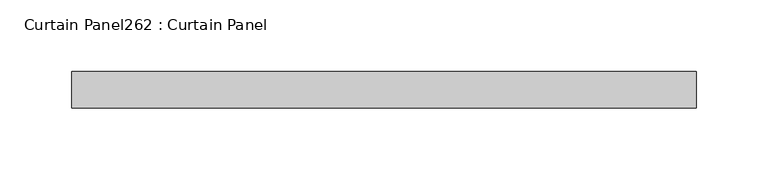
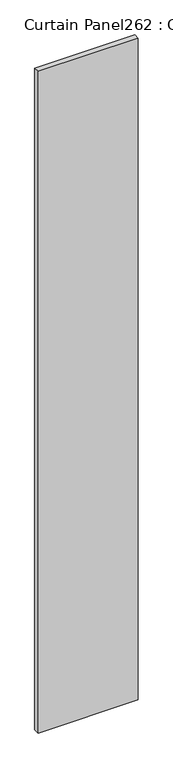
"""IFC4 building model written with IfcOpenShell, lengths in millimetres: plate geometry, Curtain Panel262 : Curtain Panel."""

import ifcopenshell
import ifcopenshell.guid

model = None  # the IFC model being written
_history = None  # IfcOwnerHistory: only IFC2X3 demands one
_inside = {}  # id of a spatial element -> (the spatial element, [elements in it])
_under = {}  # id of a project, library or spatial element -> (it, [spatial elements below it])
_declared = {}  # id of a project -> (the project, [libraries it declares])
_typed = {}  # id of a type object -> (the type object, [elements of that type])
_made_of = {}  # id of a material, layer set ... -> (it, [elements and type objects made of it])


def new_model(schema):
    """Start an empty IFC model of exactly this schema.

    Asked for "IFC4X3", IfcOpenShell would pick the latest addendum, in which some entities
    have other attributes; the version numbers below select the first issue.
    IFC2X3 requires an IfcOwnerHistory on every rooted entity: one is made here for all.
    """
    global model, _history
    if schema == "IFC4X3":
        model = ifcopenshell.file(schema_version=(4, 3, 0, 0))
    else:
        model = ifcopenshell.file(schema=schema)
    _inside.clear()
    _under.clear()
    _declared.clear()
    _typed.clear()
    _made_of.clear()
    _history = None
    if model.schema == "IFC2X3":
        org = make("IfcOrganization", Name="unknown")
        user = make(
            "IfcPersonAndOrganization",
            ThePerson=make("IfcPerson", FamilyName="unknown"),
            TheOrganization=org,
        )
        app = make(
            "IfcApplication",
            ApplicationDeveloper=org,
            Version="unknown",
            ApplicationFullName="unknown",
            ApplicationIdentifier="unknown",
        )
        _history = make(
            "IfcOwnerHistory",
            OwningUser=user,
            OwningApplication=app,
            ChangeAction="ADDED",
            CreationDate=0,
        )
    return model


def make(cls, **values):
    """One entity of the class cls with the attributes given. An attribute that is None is left unset."""
    return model.create_entity(
        cls, **{name: value for name, value in values.items() if value is not None}
    )


def rooted(cls, **values):
    """An entity with a GlobalId (a new one), such as an element, a storey or a relation."""
    return make(cls, GlobalId=ifcopenshell.guid.new(), OwnerHistory=_history, **values)


def si_unit(unit_type, name, prefix=None):
    """IfcSIUnit, for example si_unit("LENGTHUNIT", "METRE", prefix="MILLI")."""
    return make("IfcSIUnit", UnitType=unit_type, Prefix=prefix, Name=name)


def assignment(units):
    """IfcUnitAssignment: the units of a project."""
    return None if units is None else make("IfcUnitAssignment", Units=units)


def point(xyz):
    """IfcCartesianPoint."""
    return None if xyz is None else make("IfcCartesianPoint", Coordinates=xyz)


def direction(xyz):
    """IfcDirection."""
    return None if xyz is None else make("IfcDirection", DirectionRatios=xyz)


def frame(location, z_axis=None, x_axis=None):
    """IfcAxis2Placement3D, a coordinate frame: its origin and axes. An axis left out is left unset."""
    return make(
        "IfcAxis2Placement3D",
        Location=point(location),
        Axis=direction(z_axis),
        RefDirection=direction(x_axis),
    )


def origin():
    """The frame at (0, 0, 0) with its axes left unset."""
    return frame((0.0, 0.0, 0.0))


def place(relative_to, where):
    """IfcLocalPlacement: puts the frame where relative to a parent placement (None: the world)."""
    return make(
        "IfcLocalPlacement", PlacementRelTo=relative_to, RelativePlacement=where
    )


def context(
    kind, dimensions, precision=None, world=None, true_north=None, identifier=None
):
    """IfcGeometricRepresentationContext, for example the 3D "Model" context."""
    return make(
        "IfcGeometricRepresentationContext",
        ContextIdentifier=identifier,
        ContextType=kind,
        CoordinateSpaceDimension=dimensions,
        Precision=precision,
        WorldCoordinateSystem=world,
        TrueNorth=true_north,
    )


def project(units=None, contexts=None):
    """IfcProject with its units and contexts."""
    return rooted(
        "IfcProject",
        Name="project",
        RepresentationContexts=contexts,
        UnitsInContext=assignment(units),
    )


def spatial(cls, under=None, at=None, **own):
    """A site, building, storey or space (cls), placed at a placement, below another one or the project."""
    s = rooted(cls, ObjectPlacement=at, **own)
    if under is not None:
        _under.setdefault(under.id(), (under, []))[1].append(s)
    return s


def polyline(points):
    """IfcPolyline through the points."""
    return make("IfcPolyline", Points=[point(p) for p in points])


def outline(outer, holes=None, kind="AREA"):
    """IfcArbitraryClosedProfileDef: a profile drawn as a closed curve; with holes, ...WithVoids."""
    if holes is None:
        return make("IfcArbitraryClosedProfileDef", ProfileType=kind, OuterCurve=outer)
    return make(
        "IfcArbitraryProfileDefWithVoids",
        ProfileType=kind,
        OuterCurve=outer,
        InnerCurves=holes,
    )


def extrude(swept, where, along, depth):
    """IfcExtrudedAreaSolid: the profile swept, set in the frame where, extruded along a direction by depth."""
    return make(
        "IfcExtrudedAreaSolid",
        SweptArea=swept,
        Position=where,
        ExtrudedDirection=direction(along),
        Depth=depth,
    )


def shape(context_of_items, identifier, shape_type, items):
    """IfcShapeRepresentation: the items that make up one representation, for example the "Body"."""
    return make(
        "IfcShapeRepresentation",
        ContextOfItems=context_of_items,
        RepresentationIdentifier=identifier,
        RepresentationType=shape_type,
        Items=items,
    )


def source(mapping_origin, context_of_items, identifier, shape_type, items):
    """IfcRepresentationMap: a shape defined once, which mapped items show again and again."""
    return make(
        "IfcRepresentationMap",
        MappingOrigin=mapping_origin,
        MappedRepresentation=shape(context_of_items, identifier, shape_type, items),
    )


def transform(
    local_origin,
    x_axis=None,
    y_axis=None,
    z_axis=None,
    scale=None,
    scale2=None,
    scale3=None,
    uniform=True,
):
    """IfcCartesianTransformationOperator3D, or its non-uniform kind. x_axis, y_axis, z_axis: its Axis1, 2, 3."""
    if uniform:
        return make(
            "IfcCartesianTransformationOperator3D",
            Axis1=direction(x_axis),
            Axis2=direction(y_axis),
            LocalOrigin=point(local_origin),
            Scale=scale,
            Axis3=direction(z_axis),
        )
    return make(
        "IfcCartesianTransformationOperator3DnonUniform",
        Axis1=direction(x_axis),
        Axis2=direction(y_axis),
        LocalOrigin=point(local_origin),
        Scale=scale,
        Axis3=direction(z_axis),
        Scale2=scale2,
        Scale3=scale3,
    )


def mapped(mapping_source, mapping_target):
    """IfcMappedItem: shows the shape of a source again, moved by a transform."""
    return make(
        "IfcMappedItem", MappingSource=mapping_source, MappingTarget=mapping_target
    )


def made_of(thing, what):
    """Note that an element or type object is made of a material, layer set ...; save() writes the relation."""
    if what is not None:
        _made_of.setdefault(what.id(), (what, []))[1].append(thing)
    return thing


def element(
    cls,
    number,
    at=None,
    inside=None,
    cuts=None,
    type_object=None,
    material=None,
    context=None,
    identifier="Body",
    shape_type=None,
    held_by="IfcProductDefinitionShape",
    body=None,
    shapes=None,
    **own,
):
    """One element of the class cls, such as IfcWall. Its Tag is "e" and its number.

    at: its placement. inside: the storey or other place that contains it. cuts: it is an
    opening in that element (IfcRelVoidsElement). A single representation is given by context,
    identifier, shape_type and body (its items); several are given by shapes. held_by: the class
    of the entity that holds the representations. save() writes the other relations.
    """
    e = rooted(cls, Tag="e%d" % number, ObjectPlacement=at, **own)
    if body is not None:
        shapes = [shape(context, identifier, shape_type, body)]
    if shapes is not None:
        e.Representation = make(held_by, Representations=shapes)
    if inside is not None:
        _inside.setdefault(inside.id(), (inside, []))[1].append(e)
    if cuts is not None:
        rooted(
            "IfcRelVoidsElement", RelatingBuildingElement=cuts, RelatedOpeningElement=e
        )
    if type_object is not None:
        _typed.setdefault(type_object.id(), (type_object, []))[1].append(e)
    return made_of(e, material)


def aggregate(whole, parts):
    """IfcRelAggregates: a whole, such as a stair, and the parts it consists of."""
    return rooted("IfcRelAggregates", RelatingObject=whole, RelatedObjects=parts)


def save(model, path):
    """Write the relations noted so far, then the file.

    IfcRelAggregates (storeys below a building ...), IfcRelContainedInSpatialStructure (elements
    in a storey), IfcRelDefinesByType, IfcRelAssociatesMaterial and IfcRelDeclares: one each for
    every whole, place, type object, material and project.
    """
    for whole, parts in _under.values():
        aggregate(whole, parts)
    for where, things in _inside.values():
        rooted(
            "IfcRelContainedInSpatialStructure",
            RelatedElements=things,
            RelatingStructure=where,
        )
    for kind, things in _typed.values():
        rooted("IfcRelDefinesByType", RelatedObjects=things, RelatingType=kind)
    for what, things in _made_of.values():
        rooted("IfcRelAssociatesMaterial", RelatedObjects=things, RelatingMaterial=what)
    for by, libraries in _declared.values():
        rooted("IfcRelDeclares", RelatingContext=by, RelatedDefinitions=libraries)
    model.write(path)


def curtain_panel262_curtain_panel_2a510a32(model_context):
    return source(origin(), model_context, "Body", "SweptSolid", [
        extrude(outline(polyline([(570218.0501813, 3006.2495813), (569781.9110912, 3006.2495813), (569781.9110912, 3031.6495813), (570218.0501813, 3031.6495813), (570218.0501813, 3006.2495813)])), frame((0.0, 0.0, 4959.7989371), z_axis=(0.0, 0.0, 1.0), x_axis=(1.0, 0.0, 0.0)), (0.0, 0.0, 1.0), 3048.0),
    ])


if __name__ == "__main__":
    model = new_model("IFC4")
    model_context = context("Model", 3, world=origin())
    ifc_project = project(units=[si_unit("LENGTHUNIT", "METRE", prefix="MILLI")], contexts=[model_context])
    site = spatial("IfcSite", under=ifc_project)
    building = spatial("IfcBuilding", under=site)
    placement = place(None, origin())
    curtain_panel262_curtain_panel_shape = curtain_panel262_curtain_panel_2a510a32(model_context)
    element("IfcPlate", 1, ObjectType="Curtain Panel262 : Curtain Panel", at=placement, inside=building, context=model_context, shape_type="MappedRepresentation", body=[
        mapped(curtain_panel262_curtain_panel_shape, transform((0.0, 0.0, 0.0), x_axis=(1.0, 0.0, 0.0), y_axis=(0.0, 1.0, 0.0), z_axis=(0.0, 0.0, 1.0))),
    ])
    save(model, "model.ifc")
